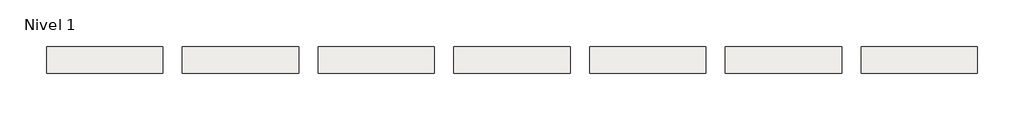
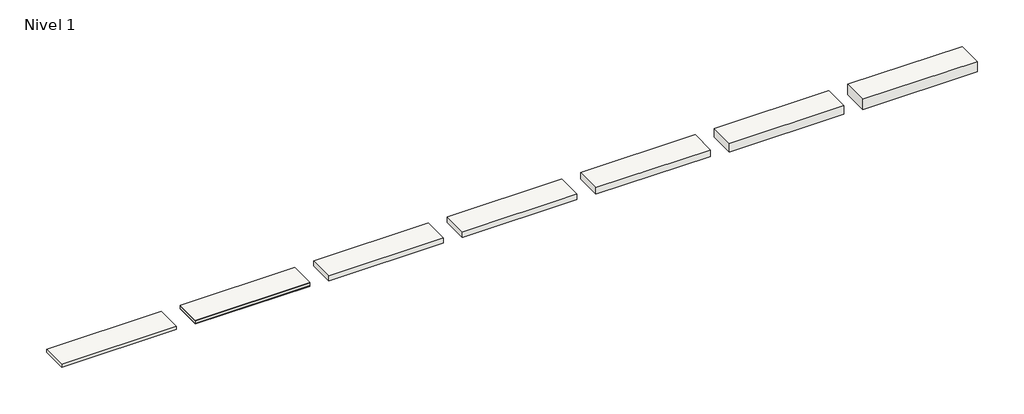
# One storey: 7 slabs.
"""IFC4 building model written with IfcOpenShell, lengths in millimetres."""

from ifc_helpers import new_model, si_unit, frame, origin, place, context, project, spatial, polyline, outline, extrude, element, save

model = new_model("IFC4")

# Units and contexts
model_context = context("Model", 3, world=origin())
ifc_project = project(units=[si_unit("LENGTHUNIT", "METRE", prefix="MILLI")], contexts=[model_context])

# Site, building, storey
site = spatial("IfcSite", under=ifc_project)
building = spatial("IfcBuilding", under=site)
storey = spatial("IfcBuildingStorey", under=building, Name="Nivel 1", Elevation=0.0)

# Slabs
placement = place(None, origin())
element("IfcSlab", 1, at=placement, inside=storey, context=model_context, shape_type="SweptSolid", body=[
    extrude(outline(polyline([(1184.4345966, -2901.6608764), (1184.4345966, -3451.6608764), (-1215.5654034, -3451.6608764), (-1215.5654034, -2901.6608764), (1184.4345966, -2901.6608764)])), frame((0.0, 0.0, -12.5), z_axis=(0.0, 0.0, 1.0), x_axis=(1.0, 0.0, 0.0)), (0.0, 0.0, 1.0), 12.5),
    extrude(outline(polyline([(1184.4345966, -2901.6608764), (1184.4345966, -3451.6608764), (-1215.5654034, -3451.6608764), (-1215.5654034, -2901.6608764), (1184.4345966, -2901.6608764)])), frame((0.0, 0.0, -72.5), z_axis=(0.0, 0.0, 1.0), x_axis=(1.0, 0.0, 0.0)), (0.0, 0.0, 1.0), 60.0),
    extrude(outline(polyline([(1184.4345966, -2901.6608764), (1184.4345966, -3451.6608764), (-1215.5654034, -3451.6608764), (-1215.5654034, -2901.6608764), (1184.4345966, -2901.6608764)])), frame((0.0, 0.0, -85.0), z_axis=(0.0, 0.0, 1.0), x_axis=(1.0, 0.0, 0.0)), (0.0, 0.0, 1.0), 12.5),
])
element("IfcSlab", 2, at=placement, inside=storey, context=model_context, shape_type="SweptSolid", body=[
    extrude(outline(polyline([(-1615.5654034, -2901.6608764), (-1615.5654034, -3451.6608764), (-4015.5654034, -3451.6608764), (-4015.5654034, -2901.6608764), (-1615.5654034, -2901.6608764)])), frame((0.0, 0.0, -65.0), z_axis=(0.0, 0.0, 1.0), x_axis=(1.0, 0.0, 0.0)), (0.0, 0.0, 1.0), 65.0),
])
element("IfcSlab", 3, at=placement, inside=storey, context=model_context, shape_type="SweptSolid", body=[
    extrude(outline(polyline([(3984.4345966, -2901.6608764), (3984.4345966, -3451.6608764), (1584.4345966, -3451.6608764), (1584.4345966, -2901.6608764), (3984.4345966, -2901.6608764)])), frame((0.0, 0.0, -105.0), z_axis=(0.0, 0.0, 1.0), x_axis=(1.0, 0.0, 0.0)), (0.0, 0.0, 1.0), 105.0),
])
element("IfcSlab", 4, at=placement, inside=storey, context=model_context, shape_type="SweptSolid", body=[
    extrude(outline(polyline([(6784.4345966, -2901.6608764), (6784.4345966, -3451.6608764), (4384.4345966, -3451.6608764), (4384.4345966, -2901.6608764), (6784.4345966, -2901.6608764)])), frame((0.0, 0.0, -125.0), z_axis=(0.0, 0.0, 1.0), x_axis=(1.0, 0.0, 0.0)), (0.0, 0.0, 1.0), 125.0),
])
element("IfcSlab", 5, at=placement, inside=storey, context=model_context, shape_type="SweptSolid", body=[
    extrude(outline(polyline([(9584.4345966, -2901.6608764), (9584.4345966, -3451.6608764), (7184.4345966, -3451.6608764), (7184.4345966, -2901.6608764), (9584.4345966, -2901.6608764)])), frame((0.0, 0.0, -145.0), z_axis=(0.0, 0.0, 1.0), x_axis=(1.0, 0.0, 0.0)), (0.0, 0.0, 1.0), 145.0),
])
element("IfcSlab", 6, at=placement, inside=storey, context=model_context, shape_type="SweptSolid", body=[
    extrude(outline(polyline([(12384.4345966, -2901.6608764), (12384.4345966, -3451.6608764), (9984.4345966, -3451.6608764), (9984.4345966, -2901.6608764), (12384.4345966, -2901.6608764)])), frame((0.0, 0.0, -185.0), z_axis=(0.0, 0.0, 1.0), x_axis=(1.0, 0.0, 0.0)), (0.0, 0.0, 1.0), 185.0),
])
element("IfcSlab", 7, at=placement, inside=storey, context=model_context, shape_type="SweptSolid", body=[
    extrude(outline(polyline([(15184.4345966, -2901.6608764), (15184.4345966, -3451.6608764), (12784.4345966, -3451.6608764), (12784.4345966, -2901.6608764), (15184.4345966, -2901.6608764)])), frame((0.0, 0.0, -225.0), z_axis=(0.0, 0.0, 1.0), x_axis=(1.0, 0.0, 0.0)), (0.0, 0.0, 1.0), 225.0),
])

save(model, "model.ifc")
